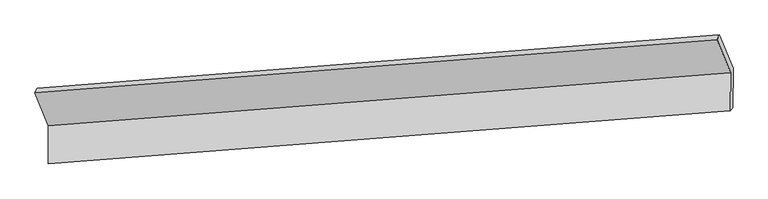
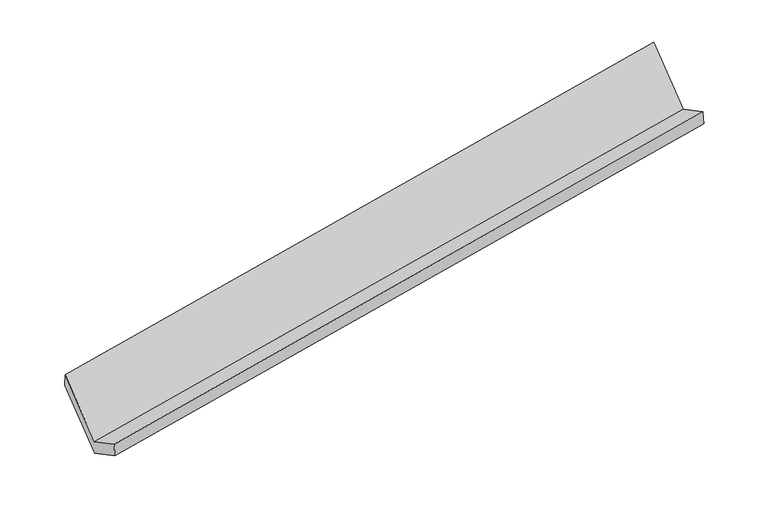
"""IFC4 building model written with IfcOpenShell, lengths in millimetres: proxy geometry."""

from ifc_helpers import new_model, si_unit, origin, place, context, project, spatial, faceted_brep, source, transform, mapped, element, save


def generic_models_8a305d09(model_context):
    return source(origin(), model_context, "Body", "Brep", [
        faceted_brep([(-6003.5984765, -1755.6063141, 1198.4257272), (-6005.5173355, -2109.4676953, 1383.4129228), (341.4273726, -1615.6998706, 2480.1176024), (343.3462316, -1261.8384894, 2295.1304068), (-5982.0436293, -2081.503552, 1231.4987094), (364.9010788, -1587.7357273, 2328.203389), (-5980.0612718, -1715.9322615, 1040.3899549), (366.8834363, -1222.1644368, 2137.0946345), (-6106.9263208, -1404.6832435, 1634.4611873), (240.0183874, -910.9154187, 2731.1658669), (-6128.8026715, -1448.432013, 1784.7196754), (218.1420366, -954.6641882, 2881.424355)], [[[0, 1, 2, 3]], [[1, 4, 5, 2]], [[4, 6, 7, 5]], [[6, 8, 9, 7]], [[8, 10, 11, 9]], [[10, 0, 3, 11]], [[9, 11, 3, 2, 5, 7]], [[0, 10, 8, 6, 4, 1]]]),
    ])


if __name__ == "__main__":
    model = new_model("IFC4")
    model_context = context("Model", 3, world=origin())
    ifc_project = project(units=[si_unit("LENGTHUNIT", "METRE", prefix="MILLI")], contexts=[model_context])
    site = spatial("IfcSite", under=ifc_project)
    building = spatial("IfcBuilding", under=site)
    placement = place(None, origin())
    generic_models_shape = generic_models_8a305d09(model_context)
    element("IfcBuildingElementProxy", 1, Name="Generic Models", at=placement, inside=building, context=model_context, shape_type="MappedRepresentation", body=[
        mapped(generic_models_shape, transform((0.0, 0.0, 0.0), x_axis=(1.0, 0.0, 0.0), y_axis=(0.0, 1.0, 0.0), z_axis=(0.0, 0.0, 1.0))),
    ])
    save(model, "model.ifc")
